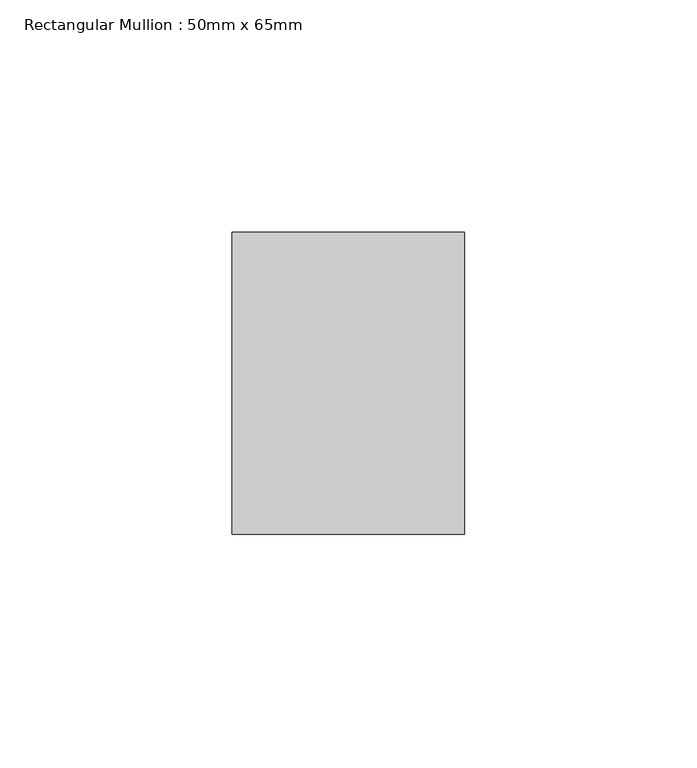
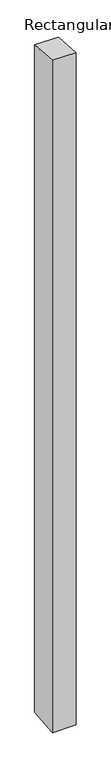
"""IFC4 building model written with IfcOpenShell, lengths in millimetres: member geometry, Rectangular Mullion : 50mm x 65mm."""

from ifc_helpers import new_model, si_unit, origin, place, context, project, spatial, faceted_brep, source, transform, mapped, element, save


def rectangular_mullion_50mm_x_65mm_d882ece6(model_context):
    return source(origin(), model_context, "Body", "Brep", [
        faceted_brep([(-25.0, 32.5, -2.4319565), (25.0, 32.5, -2.4319425), (25.0, 32.5, -1497.0088088), (-25.0, 32.5, -1497.0087916), (-25.0, -32.5, 2.4319425), (-25.0, -32.5, -1502.9911029), (25.0, -32.5, 2.4319565), (25.0, -32.5, -1502.9911201)], [[[0, 1, 2, 3]], [[4, 0, 3, 5]], [[6, 4, 5, 7]], [[1, 6, 7, 2]], [[1, 0, 4, 6]], [[2, 7, 5, 3]]]),
    ])


if __name__ == "__main__":
    model = new_model("IFC4")
    model_context = context("Model", 3, world=origin())
    ifc_project = project(units=[si_unit("LENGTHUNIT", "METRE", prefix="MILLI")], contexts=[model_context])
    site = spatial("IfcSite", under=ifc_project)
    building = spatial("IfcBuilding", under=site)
    placement = place(None, origin())
    rectangular_mullion_50mm_x_65mm_shape = rectangular_mullion_50mm_x_65mm_d882ece6(model_context)
    element("IfcMember", 1, ObjectType="Rectangular Mullion : 50mm x 65mm", at=placement, inside=building, context=model_context, shape_type="MappedRepresentation", body=[
        mapped(rectangular_mullion_50mm_x_65mm_shape, transform((0.0, 0.0, 0.0), x_axis=(1.0, 0.0, 0.0), y_axis=(0.0, 1.0, 0.0), z_axis=(0.0, 0.0, 1.0))),
    ])
    save(model, "model.ifc")
